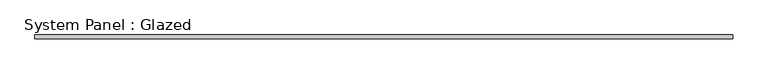
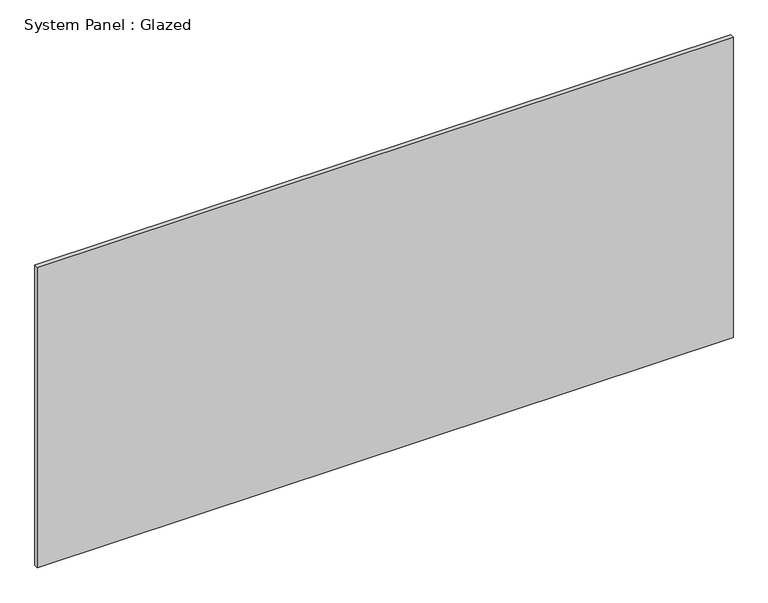
"""IFC4 building model written with IfcOpenShell, lengths in millimetres: plate geometry, System Panel : Glazed."""

from ifc_helpers import new_model, si_unit, origin, origin_with_axes, place, context, project, spatial, polyline, outline, extrude, source, transform, mapped, element, save


def system_panel_glazed_13e25c27(model_context):
    return source(origin(), model_context, "Body", "SweptSolid", [
        extrude(outline(polyline([(2300.0, 24.5), (-2300.0, 24.5), (-2300.0, 49.5), (2300.0, 49.5), (2300.0, 24.5)])), origin_with_axes(), (0.0, 0.0, 1.0), 2100.0),
    ])


if __name__ == "__main__":
    model = new_model("IFC4")
    model_context = context("Model", 3, world=origin())
    ifc_project = project(units=[si_unit("LENGTHUNIT", "METRE", prefix="MILLI")], contexts=[model_context])
    site = spatial("IfcSite", under=ifc_project)
    building = spatial("IfcBuilding", under=site)
    placement = place(None, origin())
    system_panel_glazed_shape = system_panel_glazed_13e25c27(model_context)
    element("IfcPlate", 1, ObjectType="System Panel : Glazed", at=placement, inside=building, context=model_context, shape_type="MappedRepresentation", body=[
        mapped(system_panel_glazed_shape, transform((0.0, 0.0, 0.0), x_axis=(1.0, 0.0, 0.0), y_axis=(0.0, 1.0, 0.0), z_axis=(0.0, 0.0, 1.0))),
    ])
    save(model, "model.ifc")
